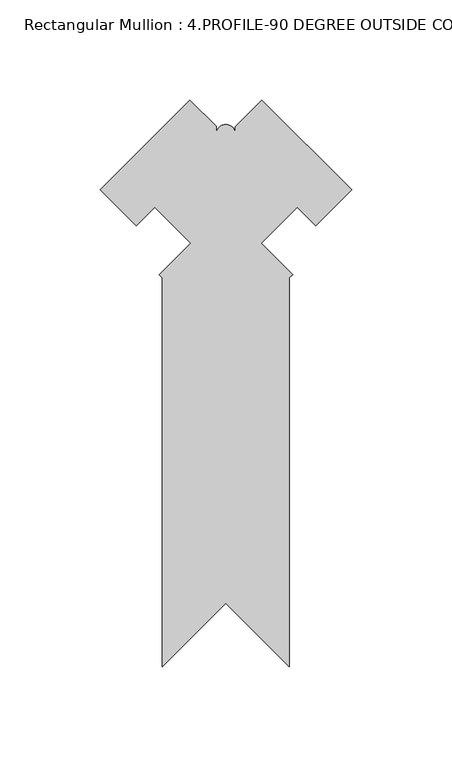
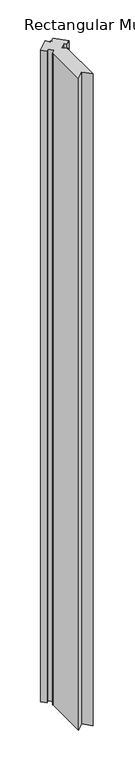
"""IFC4 building model written with IfcOpenShell, lengths in millimetres: member geometry, Rectangular Mullion : 4.PROFILE-90 DEGREE OUTSIDE CORNER 1 INCH INFILL DETAIL 8A."""

from ifc_helpers import new_model, si_unit, point, frame, frame_2d, origin, place, context, project, spatial, polyline, circle_curve, trimmed, segment, composite_curve, outline, extrude, source, transform, mapped, element, save


def rectangular_mullion_4_profile_90_degree_outside_corner_1_8c087a70(model_context):
    return source(origin(), model_context, "Body", "SweptSolid", [
        extrude(outline(composite_curve([segment(polyline([(-94.6117941, -112.91373), (-94.6117941, 81.4190125), (-96.2282402, 83.0354586), (-80.512792, 98.7509068), (-98.4352824, 116.6733972)]), True, "CONTINUOUS"), segment(trimmed(circle_curve(frame_2d((221.2597715, -215.5190162)), 461.0387479), [point((-98.4352824, 116.6733972))], [point((-107.7707609, 107.4293322))], True, "CARTESIAN"), True, "CONTINUOUS"), segment(polyline([(-107.7707609, 107.4293322), (-125.7235882, 125.3821595), (-80.8223064, 170.2834414), (-67.6242941, 157.0854291), (-67.6242941, 153.8953868)]), True, "CONTINUOUS"), segment(trimmed(circle_curve(frame_2d((-62.8975822, 153.3432688)), 4.7588485), [point((-67.6242941, 153.8953868))], [point((-58.1985129, 154.0951907))], False, "CARTESIAN"), True, "CONTINUOUS"), segment(polyline([(-58.1985129, 154.0951907), (-58.1985129, 156.9862104), (-44.9012819, 170.2834414), (0.0, 125.3821595), (-17.9528273, 107.4293322)]), True, "CONTINUOUS"), segment(trimmed(circle_curve(frame_2d((-346.9833597, -215.5190162)), 461.0387479), [point((-17.9528273, 107.4293322))], [point((-27.2883058, 116.6733972))], True, "CARTESIAN"), True, "CONTINUOUS"), segment(polyline([(-27.2883058, 116.6733972), (-45.2107962, 98.7509068), (-29.495348, 83.0354586), (-31.1117941, 81.4190125), (-31.1117941, -112.9137298), (-62.861794, -81.1637299), (-94.6117941, -112.91373)]), True, "CONTINUOUS")], self_intersect=False)), frame((0.0, 0.0, -3048.0), z_axis=(0.0, 0.0, 1.0), x_axis=(1.0, 0.0, 0.0)), (0.0, 0.0, 1.0), 3048.0),
    ])


if __name__ == "__main__":
    model = new_model("IFC4")
    model_context = context("Model", 3, world=origin())
    ifc_project = project(units=[si_unit("LENGTHUNIT", "METRE", prefix="MILLI")], contexts=[model_context])
    site = spatial("IfcSite", under=ifc_project)
    building = spatial("IfcBuilding", under=site)
    placement = place(None, origin())
    rectangular_mullion_4_profile_90_degree_outside_corner_1_shape = rectangular_mullion_4_profile_90_degree_outside_corner_1_8c087a70(model_context)
    element("IfcMember", 1, ObjectType="Rectangular Mullion : 4.PROFILE-90 DEGREE OUTSIDE CORNER 1 INCH INFILL DETAIL 8A", at=placement, inside=building, context=model_context, shape_type="MappedRepresentation", body=[
        mapped(rectangular_mullion_4_profile_90_degree_outside_corner_1_shape, transform((0.0, 0.0, 0.0), x_axis=(1.0, 0.0, 0.0), y_axis=(0.0, 1.0, 0.0), z_axis=(0.0, 0.0, 1.0))),
    ])
    save(model, "model.ifc")
